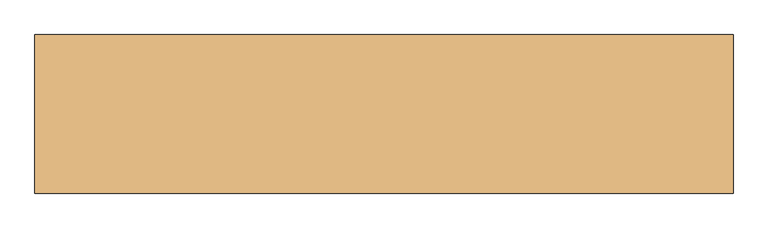
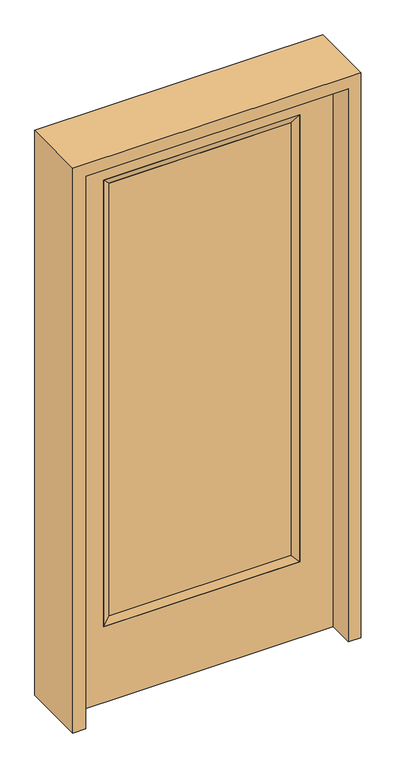
"""IFC4 building model written with IfcOpenShell, lengths in millimetres: door geometry."""

import ifcopenshell
import ifcopenshell.guid

model = None  # the IFC model being written
_history = None  # IfcOwnerHistory: only IFC2X3 demands one
_inside = {}  # id of a spatial element -> (the spatial element, [elements in it])
_under = {}  # id of a project, library or spatial element -> (it, [spatial elements below it])
_declared = {}  # id of a project -> (the project, [libraries it declares])
_typed = {}  # id of a type object -> (the type object, [elements of that type])
_made_of = {}  # id of a material, layer set ... -> (it, [elements and type objects made of it])


def new_model(schema):
    """Start an empty IFC model of exactly this schema.

    Asked for "IFC4X3", IfcOpenShell would pick the latest addendum, in which some entities
    have other attributes; the version numbers below select the first issue.
    IFC2X3 requires an IfcOwnerHistory on every rooted entity: one is made here for all.
    """
    global model, _history
    if schema == "IFC4X3":
        model = ifcopenshell.file(schema_version=(4, 3, 0, 0))
    else:
        model = ifcopenshell.file(schema=schema)
    _inside.clear()
    _under.clear()
    _declared.clear()
    _typed.clear()
    _made_of.clear()
    _history = None
    if model.schema == "IFC2X3":
        org = make("IfcOrganization", Name="unknown")
        user = make(
            "IfcPersonAndOrganization",
            ThePerson=make("IfcPerson", FamilyName="unknown"),
            TheOrganization=org,
        )
        app = make(
            "IfcApplication",
            ApplicationDeveloper=org,
            Version="unknown",
            ApplicationFullName="unknown",
            ApplicationIdentifier="unknown",
        )
        _history = make(
            "IfcOwnerHistory",
            OwningUser=user,
            OwningApplication=app,
            ChangeAction="ADDED",
            CreationDate=0,
        )
    return model


def make(cls, **values):
    """One entity of the class cls with the attributes given. An attribute that is None is left unset."""
    return model.create_entity(
        cls, **{name: value for name, value in values.items() if value is not None}
    )


def rooted(cls, **values):
    """An entity with a GlobalId (a new one), such as an element, a storey or a relation."""
    return make(cls, GlobalId=ifcopenshell.guid.new(), OwnerHistory=_history, **values)


def si_unit(unit_type, name, prefix=None):
    """IfcSIUnit, for example si_unit("LENGTHUNIT", "METRE", prefix="MILLI")."""
    return make("IfcSIUnit", UnitType=unit_type, Prefix=prefix, Name=name)


def assignment(units):
    """IfcUnitAssignment: the units of a project."""
    return None if units is None else make("IfcUnitAssignment", Units=units)


def point(xyz):
    """IfcCartesianPoint."""
    return None if xyz is None else make("IfcCartesianPoint", Coordinates=xyz)


def direction(xyz):
    """IfcDirection."""
    return None if xyz is None else make("IfcDirection", DirectionRatios=xyz)


def frame(location, z_axis=None, x_axis=None):
    """IfcAxis2Placement3D, a coordinate frame: its origin and axes. An axis left out is left unset."""
    return make(
        "IfcAxis2Placement3D",
        Location=point(location),
        Axis=direction(z_axis),
        RefDirection=direction(x_axis),
    )


def origin():
    """The frame at (0, 0, 0) with its axes left unset."""
    return frame((0.0, 0.0, 0.0))


def place(relative_to, where):
    """IfcLocalPlacement: puts the frame where relative to a parent placement (None: the world)."""
    return make(
        "IfcLocalPlacement", PlacementRelTo=relative_to, RelativePlacement=where
    )


def context(
    kind, dimensions, precision=None, world=None, true_north=None, identifier=None
):
    """IfcGeometricRepresentationContext, for example the 3D "Model" context."""
    return make(
        "IfcGeometricRepresentationContext",
        ContextIdentifier=identifier,
        ContextType=kind,
        CoordinateSpaceDimension=dimensions,
        Precision=precision,
        WorldCoordinateSystem=world,
        TrueNorth=true_north,
    )


def project(units=None, contexts=None):
    """IfcProject with its units and contexts."""
    return rooted(
        "IfcProject",
        Name="project",
        RepresentationContexts=contexts,
        UnitsInContext=assignment(units),
    )


def spatial(cls, under=None, at=None, **own):
    """A site, building, storey or space (cls), placed at a placement, below another one or the project."""
    s = rooted(cls, ObjectPlacement=at, **own)
    if under is not None:
        _under.setdefault(under.id(), (under, []))[1].append(s)
    return s


def polyline(points):
    """IfcPolyline through the points."""
    return make("IfcPolyline", Points=[point(p) for p in points])


def outline(outer, holes=None, kind="AREA"):
    """IfcArbitraryClosedProfileDef: a profile drawn as a closed curve; with holes, ...WithVoids."""
    if holes is None:
        return make("IfcArbitraryClosedProfileDef", ProfileType=kind, OuterCurve=outer)
    return make(
        "IfcArbitraryProfileDefWithVoids",
        ProfileType=kind,
        OuterCurve=outer,
        InnerCurves=holes,
    )


def extrude(swept, where, along, depth):
    """IfcExtrudedAreaSolid: the profile swept, set in the frame where, extruded along a direction by depth."""
    return make(
        "IfcExtrudedAreaSolid",
        SweptArea=swept,
        Position=where,
        ExtrudedDirection=direction(along),
        Depth=depth,
    )


def faces_of(points, faces, orient=None, outer=None):
    """IfcFace entities. A face is a list of loops; a loop is a list of indices into points, from 0.

    orient and outer hold one flag for each loop. By default every Orientation is true, the
    first loop of a face is its IfcFaceOuterBound and the others are IfcFaceBound.
    """
    made = []
    for i, loops in enumerate(faces):
        bounds = []
        for j, loop in enumerate(loops):
            is_outer = j == 0 if outer is None else outer[i][j]
            bounds.append(
                make(
                    "IfcFaceOuterBound" if is_outer else "IfcFaceBound",
                    Bound=make("IfcPolyLoop", Polygon=[points[k] for k in loop]),
                    Orientation=True if orient is None else orient[i][j],
                )
            )
        made.append(make("IfcFace", Bounds=bounds))
    return made


def faceted_brep(points, faces, orient=None, outer=None, voids=None):
    """IfcFacetedBrep: a solid bounded by flat faces; with voids (closed shells), ...WithVoids."""
    shared = [point(p) for p in points]
    hull = make("IfcClosedShell", CfsFaces=faces_of(shared, faces, orient, outer))
    if voids is None:
        return make("IfcFacetedBrep", Outer=hull)
    return make(
        "IfcFacetedBrepWithVoids",
        Outer=hull,
        Voids=[
            make(cls, CfsFaces=faces_of(shared, fs, o, b)) for cls, fs, o, b in voids
        ],
    )


def shape(context_of_items, identifier, shape_type, items):
    """IfcShapeRepresentation: the items that make up one representation, for example the "Body"."""
    return make(
        "IfcShapeRepresentation",
        ContextOfItems=context_of_items,
        RepresentationIdentifier=identifier,
        RepresentationType=shape_type,
        Items=items,
    )


def source(mapping_origin, context_of_items, identifier, shape_type, items):
    """IfcRepresentationMap: a shape defined once, which mapped items show again and again."""
    return make(
        "IfcRepresentationMap",
        MappingOrigin=mapping_origin,
        MappedRepresentation=shape(context_of_items, identifier, shape_type, items),
    )


def transform(
    local_origin,
    x_axis=None,
    y_axis=None,
    z_axis=None,
    scale=None,
    scale2=None,
    scale3=None,
    uniform=True,
):
    """IfcCartesianTransformationOperator3D, or its non-uniform kind. x_axis, y_axis, z_axis: its Axis1, 2, 3."""
    if uniform:
        return make(
            "IfcCartesianTransformationOperator3D",
            Axis1=direction(x_axis),
            Axis2=direction(y_axis),
            LocalOrigin=point(local_origin),
            Scale=scale,
            Axis3=direction(z_axis),
        )
    return make(
        "IfcCartesianTransformationOperator3DnonUniform",
        Axis1=direction(x_axis),
        Axis2=direction(y_axis),
        LocalOrigin=point(local_origin),
        Scale=scale,
        Axis3=direction(z_axis),
        Scale2=scale2,
        Scale3=scale3,
    )


def mapped(mapping_source, mapping_target):
    """IfcMappedItem: shows the shape of a source again, moved by a transform."""
    return make(
        "IfcMappedItem", MappingSource=mapping_source, MappingTarget=mapping_target
    )


def made_of(thing, what):
    """Note that an element or type object is made of a material, layer set ...; save() writes the relation."""
    if what is not None:
        _made_of.setdefault(what.id(), (what, []))[1].append(thing)
    return thing


def element(
    cls,
    number,
    at=None,
    inside=None,
    cuts=None,
    type_object=None,
    material=None,
    context=None,
    identifier="Body",
    shape_type=None,
    held_by="IfcProductDefinitionShape",
    body=None,
    shapes=None,
    **own,
):
    """One element of the class cls, such as IfcWall. Its Tag is "e" and its number.

    at: its placement. inside: the storey or other place that contains it. cuts: it is an
    opening in that element (IfcRelVoidsElement). A single representation is given by context,
    identifier, shape_type and body (its items); several are given by shapes. held_by: the class
    of the entity that holds the representations. save() writes the other relations.
    """
    e = rooted(cls, Tag="e%d" % number, ObjectPlacement=at, **own)
    if body is not None:
        shapes = [shape(context, identifier, shape_type, body)]
    if shapes is not None:
        e.Representation = make(held_by, Representations=shapes)
    if inside is not None:
        _inside.setdefault(inside.id(), (inside, []))[1].append(e)
    if cuts is not None:
        rooted(
            "IfcRelVoidsElement", RelatingBuildingElement=cuts, RelatedOpeningElement=e
        )
    if type_object is not None:
        _typed.setdefault(type_object.id(), (type_object, []))[1].append(e)
    return made_of(e, material)


def aggregate(whole, parts):
    """IfcRelAggregates: a whole, such as a stair, and the parts it consists of."""
    return rooted("IfcRelAggregates", RelatingObject=whole, RelatedObjects=parts)


def save(model, path):
    """Write the relations noted so far, then the file.

    IfcRelAggregates (storeys below a building ...), IfcRelContainedInSpatialStructure (elements
    in a storey), IfcRelDefinesByType, IfcRelAssociatesMaterial and IfcRelDeclares: one each for
    every whole, place, type object, material and project.
    """
    for whole, parts in _under.values():
        aggregate(whole, parts)
    for where, things in _inside.values():
        rooted(
            "IfcRelContainedInSpatialStructure",
            RelatedElements=things,
            RelatingStructure=where,
        )
    for kind, things in _typed.values():
        rooted("IfcRelDefinesByType", RelatedObjects=things, RelatingType=kind)
    for what, things in _made_of.values():
        rooted("IfcRelAssociatesMaterial", RelatedObjects=things, RelatingMaterial=what)
    for by, libraries in _declared.values():
        rooted("IfcRelDeclares", RelatingContext=by, RelatedDefinitions=libraries)
    model.write(path)


def door_b1c47708(model_context):
    return source(origin(), model_context, "Body", "SolidModel", [
        extrude(outline(polyline([(316.3824, -12.7039749), (-316.3824, -12.7039749), (-316.3824, 14.2875), (316.3824, 14.2875), (316.3824, -12.7039749)])), frame((0.0, 0.0, 304.8), z_axis=(0.0, 0.0, 1.0), x_axis=(1.0, 0.0, 0.0)), (0.0, 0.0, 1.0), 1590.675),
        faceted_brep([(316.3824, 14.2875, 1895.475), (341.7824, 22.225, 1920.875), (341.7824, 22.225, 279.4), (316.3824, 14.2875, 304.8), (341.7824, -22.225, 1920.875), (341.7824, -22.225, 279.4), (-341.7824, 22.225, 279.4), (-316.3824, 14.2875, 304.8), (316.3824, -12.7039749, 1895.475), (316.3824, -12.7039749, 304.8), (-316.3824, -12.7039749, 304.8), (-341.7824, -22.225, 279.4), (-341.7824, 22.225, 1920.875), (-316.3824, 14.2875, 1895.475), (-316.3824, -12.7039749, 1895.475), (-341.7824, -22.225, 1920.875)], [[[0, 1, 2, 3]], [[1, 4, 5, 2]], [[3, 2, 6, 7]], [[8, 0, 3, 9]], [[9, 3, 7, 10]], [[4, 8, 9, 5]], [[5, 9, 10, 11]], [[2, 5, 11, 6]], [[7, 6, 12, 13]], [[10, 7, 13, 14]], [[11, 10, 14, 15]], [[6, 11, 15, 12]], [[13, 12, 1, 0]], [[14, 13, 0, 8]], [[15, 14, 8, 4]], [[12, 15, 4, 1]]]),
        extrude(outline(polyline([(0.0, -457.2), (0.0, 457.2), (2032.0, 457.2), (2032.0, -457.2), (0.0, -457.2)]), holes=[polyline([(279.4, -341.7824), (1920.875, -341.7824), (1920.875, 341.7824), (279.4, 341.7824), (279.4, -341.7824)])]), frame((0.0, -22.225, 0.0), z_axis=(0.0, 1.0, 0.0), x_axis=(0.0, 0.0, 1.0)), (0.0, 0.0, 1.0), 44.45),
        extrude(outline(polyline([(2076.45, -501.65), (0.0, -501.65), (0.0, -457.2), (2032.0, -457.2), (2032.0, 457.2), (0.0, 457.2), (0.0, 501.65), (2076.45, 501.65), (2076.45, -501.65)])), frame((0.0, -114.3, 0.0), z_axis=(0.0, 1.0, 0.0), x_axis=(0.0, 0.0, 1.0)), (0.0, 0.0, 1.0), 228.6),
    ])


if __name__ == "__main__":
    model = new_model("IFC4")
    model_context = context("Model", 3, world=origin())
    ifc_project = project(units=[si_unit("LENGTHUNIT", "METRE", prefix="MILLI")], contexts=[model_context])
    site = spatial("IfcSite", under=ifc_project)
    building = spatial("IfcBuilding", under=site)
    placement = place(None, origin())
    door_shape = door_b1c47708(model_context)
    element("IfcDoor", 1, at=placement, inside=building, context=model_context, shape_type="MappedRepresentation", body=[
        mapped(door_shape, transform((0.0, 0.0, 0.0), x_axis=(1.0, 0.0, 0.0), y_axis=(0.0, 1.0, 0.0), z_axis=(0.0, 0.0, 1.0))),
    ])
    save(model, "model.ifc")
